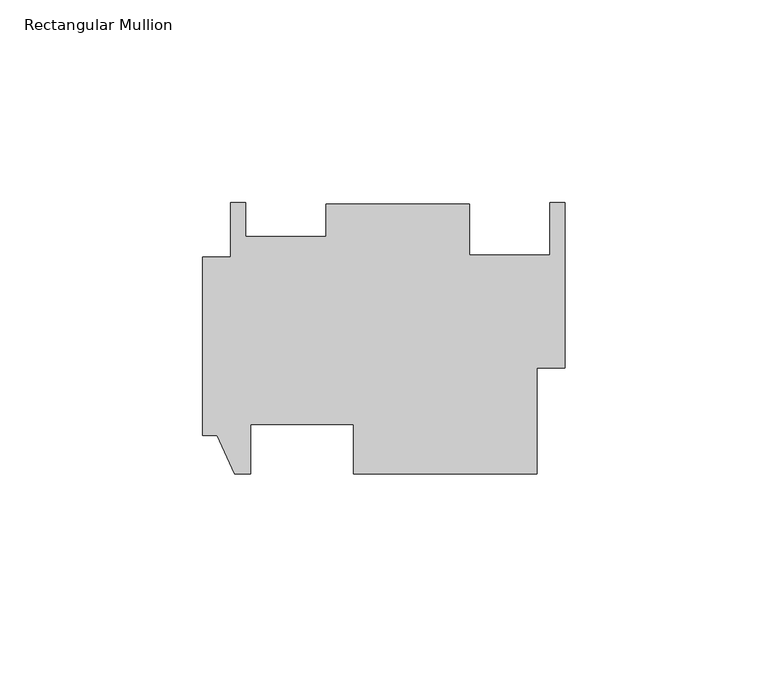
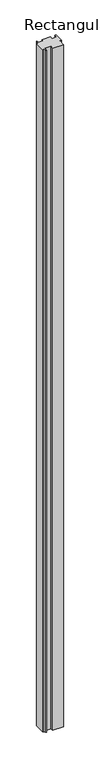
"""IFC4 building model written with IfcOpenShell, lengths in millimetres: member geometry, Rectangular Mullion."""

from ifc_helpers import new_model, si_unit, frame, origin, place, context, project, spatial, polyline, outline, extrude, source, transform, mapped, element, save


def rectangular_mullion_6d4d1cae(model_context):
    return source(origin(), model_context, "Body", "SweptSolid", [
        extrude(outline(polyline([(-6.9088, -7.8258473), (-6.9088, -34.0204678), (-52.2224, -34.0204678), (-52.2224, -21.8030678), (-77.6224, -21.8030678), (-77.6224, -34.0204678), (-81.534, -34.0204678), (-85.852, -24.4954678), (-89.4588, -24.4954678), (-89.4588, 19.4719322), (-82.55, 19.4719322), (-82.55, 32.9593322), (-78.8162, 32.9593322), (-78.8162, 24.5206321), (-58.9788, 24.5206321), (-58.9788, 32.6136307), (-23.5712, 32.6136307), (-23.5712, 20.008408), (-3.7338, 20.008408), (-3.7338, 32.9593322), (0.0, 32.9593322), (0.0, -7.8258473), (-6.9088, -7.8258473)])), frame((0.0, 0.0, -3048.0), z_axis=(0.0, 0.0, 1.0), x_axis=(1.0, 0.0, 0.0)), (0.0, 0.0, 1.0), 3048.0),
    ])


if __name__ == "__main__":
    model = new_model("IFC4")
    model_context = context("Model", 3, world=origin())
    ifc_project = project(units=[si_unit("LENGTHUNIT", "METRE", prefix="MILLI")], contexts=[model_context])
    site = spatial("IfcSite", under=ifc_project)
    building = spatial("IfcBuilding", under=site)
    placement = place(None, origin())
    rectangular_mullion_shape = rectangular_mullion_6d4d1cae(model_context)
    element("IfcMember", 1, ObjectType="Rectangular Mullion", at=placement, inside=building, context=model_context, shape_type="MappedRepresentation", body=[
        mapped(rectangular_mullion_shape, transform((0.0, 0.0, 0.0), x_axis=(1.0, 0.0, 0.0), y_axis=(0.0, 1.0, 0.0), z_axis=(0.0, 0.0, 1.0))),
    ])
    save(model, "model.ifc")
